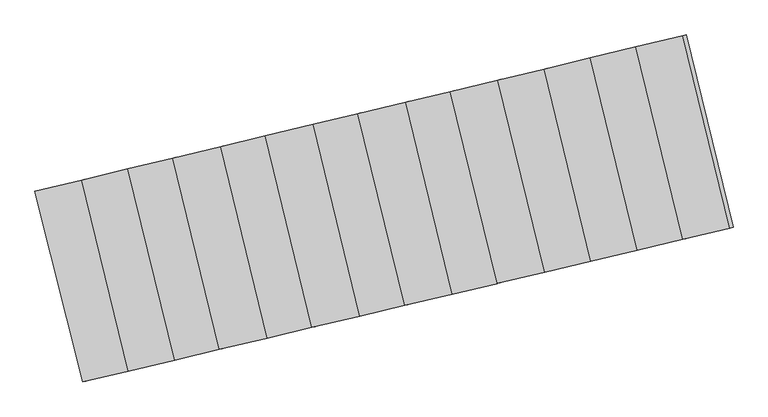
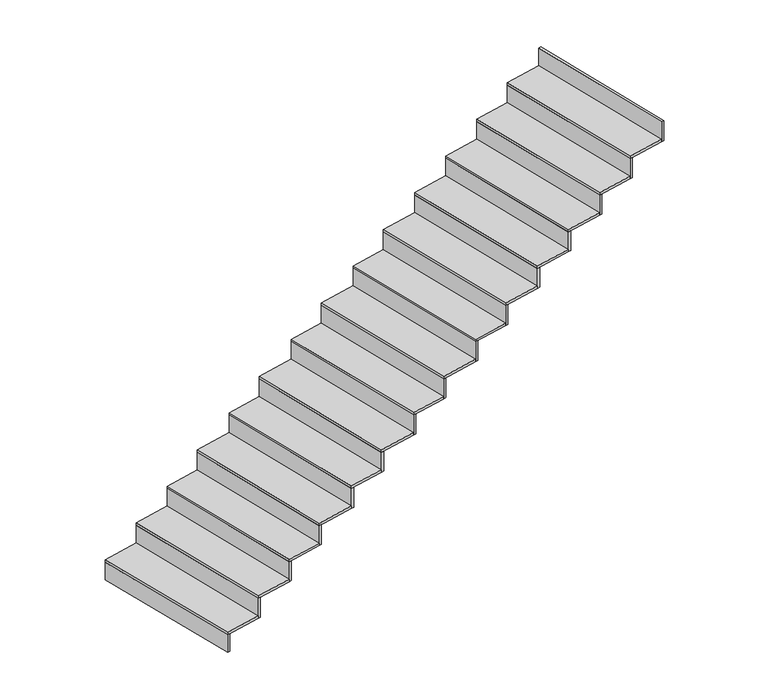
"""IFC4 building model written with IfcOpenShell, lengths in millimetres: stair flight geometry."""

from ifc_helpers import new_model, si_unit, frame, origin, place, context, project, spatial, polyline, outline, extrude, source, transform, mapped, element, save


def stair_flight_77acd8d4(model_context):
    return source(origin(), model_context, "Body", "SweptSolid", [
        extrude(outline(polyline([(69792.274858, 1143.0252565), (69772.8140838, 1138.4065241), (69482.7512479, 2300.0932348), (69502.1997731, 2304.761024), (69792.274858, 1143.0252565)])), frame((0.0, 0.0, -2436.5), z_axis=(0.0, 0.0, 1.0), x_axis=(1.0, 0.0, 0.0)), (0.0, 0.0, 1.0), 144.8530746),
        extrude(outline(polyline([(69767.5186183, 2368.4394985), (70051.4176831, 1204.5290459), (69772.8140838, 1138.4065241), (69482.7512479, 2300.0932348), (69767.5186183, 2368.4394985)])), frame((0.0, 0.0, -2291.6469254), z_axis=(0.0, 0.0, 1.0), x_axis=(1.0, 0.0, 0.0)), (0.0, 0.0, 1.0), 20.0),
        extrude(outline(polyline([(70070.8775103, 1209.1475535), (70051.4176831, 1204.5290459), (69767.5186183, 2368.4394985), (69786.9664646, 2373.1071247), (70070.8775103, 1209.1475535)])), frame((0.0, 0.0, -2291.6469254), z_axis=(0.0, 0.0, 1.0), x_axis=(1.0, 0.0, 0.0)), (0.0, 0.0, 1.0), 164.8530746),
        extrude(outline(polyline([(70049.5123898, 2436.120078), (70333.5851778, 1271.4974065), (70051.4176831, 1204.5290459), (69767.5186183, 2368.4394985), (70049.5123898, 2436.120078)])), frame((0.0, 0.0, -2126.7938508), z_axis=(0.0, 0.0, 1.0), x_axis=(1.0, 0.0, 0.0)), (0.0, 0.0, 1.0), 20.0),
        extrude(outline(polyline([(70353.045005, 1276.1159141), (70333.5851778, 1271.4974065), (70049.5123898, 2436.120078), (70068.9602361, 2440.7877042), (70353.045005, 1276.1159141)])), frame((0.0, 0.0, -2126.7938508), z_axis=(0.0, 0.0, 1.0), x_axis=(1.0, 0.0, 0.0)), (0.0, 0.0, 1.0), 164.8530746),
        extrude(outline(polyline([(70321.7822382, 2501.4668444), (70606.0227589, 1336.1565133), (70333.5851778, 1271.4974065), (70049.5123898, 2436.120078), (70321.7822382, 2501.4668444)])), frame((0.0, 0.0, -1961.9407762), z_axis=(0.0, 0.0, 1.0), x_axis=(1.0, 0.0, 0.0)), (0.0, 0.0, 1.0), 20.0),
        extrude(outline(polyline([(70625.4825861, 1340.775021), (70606.0227589, 1336.1565133), (70321.7822382, 2501.4668444), (70341.2300845, 2506.1344706), (70625.4825861, 1340.775021)])), frame((0.0, 0.0, -1961.9407762), z_axis=(0.0, 0.0, 1.0), x_axis=(1.0, 0.0, 0.0)), (0.0, 0.0, 1.0), 164.8530746),
        extrude(outline(polyline([(70613.4999328, 2571.481237), (70897.9201672, 1405.4341278), (70606.0227589, 1336.1565133), (70321.7822382, 2501.4668444), (70613.4999328, 2571.481237)])), frame((0.0, 0.0, -1797.0877016), z_axis=(0.0, 0.0, 1.0), x_axis=(1.0, 0.0, 0.0)), (0.0, 0.0, 1.0), 20.0),
        extrude(outline(polyline([(70917.3799944, 1410.0526354), (70897.9201672, 1405.4341278), (70613.4999328, 2571.481237), (70632.9477791, 2576.1488632), (70917.3799944, 1410.0526354)])), frame((0.0, 0.0, -1797.0877016), z_axis=(0.0, 0.0, 1.0), x_axis=(1.0, 0.0, 0.0)), (0.0, 0.0, 1.0), 164.8530746),
        extrude(outline(polyline([(70885.7697812, 2636.8280034), (71170.3577483, 1470.0932346), (70897.9201672, 1405.4341278), (70613.4999328, 2571.481237), (70885.7697812, 2636.8280034)])), frame((0.0, 0.0, -1632.234627), z_axis=(0.0, 0.0, 1.0), x_axis=(1.0, 0.0, 0.0)), (0.0, 0.0, 1.0), 20.0),
        extrude(outline(polyline([(71189.8175755, 1474.7117422), (71170.3577483, 1470.0932346), (70885.7697812, 2636.8280034), (70905.2176275, 2641.4956296), (71189.8175755, 1474.7117422)])), frame((0.0, 0.0, -1632.234627), z_axis=(0.0, 0.0, 1.0), x_axis=(1.0, 0.0, 0.0)), (0.0, 0.0, 1.0), 164.8530746),
        extrude(outline(polyline([(71177.4874758, 2706.842396), (71462.2551566, 1539.3708491), (71170.3577483, 1470.0932346), (70885.7697812, 2636.8280034), (71177.4874758, 2706.842396)])), frame((0.0, 0.0, -1467.3815524), z_axis=(0.0, 0.0, 1.0), x_axis=(1.0, 0.0, 0.0)), (0.0, 0.0, 1.0), 20.0),
        extrude(outline(polyline([(71481.7149839, 1543.9893567), (71462.2551566, 1539.3708491), (71177.4874758, 2706.842396), (71196.9353221, 2711.5100222), (71481.7149839, 1543.9893567)])), frame((0.0, 0.0, -1467.3815524), z_axis=(0.0, 0.0, 1.0), x_axis=(1.0, 0.0, 0.0)), (0.0, 0.0, 1.0), 164.8530746),
        extrude(outline(polyline([(71449.7573242, 2772.1891624), (71734.6927377, 1604.0299559), (71462.2551566, 1539.3708491), (71177.4874758, 2706.842396), (71449.7573242, 2772.1891624)])), frame((0.0, 0.0, -1302.5284778), z_axis=(0.0, 0.0, 1.0), x_axis=(1.0, 0.0, 0.0)), (0.0, 0.0, 1.0), 20.0),
        extrude(outline(polyline([(71754.152565, 1608.6484635), (71734.6927377, 1604.0299559), (71449.7573242, 2772.1891624), (71469.2051705, 2776.8567886), (71754.152565, 1608.6484635)])), frame((0.0, 0.0, -1302.5284778), z_axis=(0.0, 0.0, 1.0), x_axis=(1.0, 0.0, 0.0)), (0.0, 0.0, 1.0), 164.8530746),
        extrude(outline(polyline([(71741.4750188, 2842.203555), (72026.5901461, 1673.3075703), (71734.6927377, 1604.0299559), (71449.7573242, 2772.1891624), (71741.4750188, 2842.203555)])), frame((0.0, 0.0, -1137.6754032), z_axis=(0.0, 0.0, 1.0), x_axis=(1.0, 0.0, 0.0)), (0.0, 0.0, 1.0), 20.0),
        extrude(outline(polyline([(72046.0499733, 1677.926078), (72026.5901461, 1673.3075703), (71741.4750188, 2842.203555), (71760.9228651, 2846.8711812), (72046.0499733, 1677.926078)])), frame((0.0, 0.0, -1137.6754032), z_axis=(0.0, 0.0, 1.0), x_axis=(1.0, 0.0, 0.0)), (0.0, 0.0, 1.0), 164.8530746),
        extrude(outline(polyline([(72013.7448672, 2907.5503214), (72299.0277272, 1737.9666772), (72026.5901461, 1673.3075703), (71741.4750188, 2842.203555), (72013.7448672, 2907.5503214)])), frame((0.0, 0.0, -972.8223286), z_axis=(0.0, 0.0, 1.0), x_axis=(1.0, 0.0, 0.0)), (0.0, 0.0, 1.0), 20.0),
        extrude(outline(polyline([(72318.4875544, 1742.5851848), (72299.0277272, 1737.9666772), (72013.7448672, 2907.5503214), (72033.1927135, 2912.2179476), (72318.4875544, 1742.5851848)])), frame((0.0, 0.0, -972.8223286), z_axis=(0.0, 0.0, 1.0), x_axis=(1.0, 0.0, 0.0)), (0.0, 0.0, 1.0), 164.8530746),
        extrude(outline(polyline([(72302.6291562, 2976.8846758), (72588.0899844, 1806.5714096), (72299.0277272, 1737.9666772), (72013.7448672, 2907.5503214), (72302.6291562, 2976.8846758)])), frame((0.0, 0.0, -807.9692541), z_axis=(0.0, 0.0, 1.0), x_axis=(1.0, 0.0, 0.0)), (0.0, 0.0, 1.0), 20.0),
        extrude(outline(polyline([(72607.5498116, 1811.1899173), (72588.0899844, 1806.5714096), (72302.6291562, 2976.8846758), (72322.0770025, 2981.552302), (72607.5498116, 1811.1899173)])), frame((0.0, 0.0, -807.9692541), z_axis=(0.0, 0.0, 1.0), x_axis=(1.0, 0.0, 0.0)), (0.0, 0.0, 1.0), 164.8530746),
        extrude(outline(polyline([(72584.4283662, 3044.5185591), (72870.0627977, 1873.4935655), (72588.0899844, 1806.5714096), (72302.6291562, 2976.8846758), (72584.4283662, 3044.5185591)])), frame((0.0, 0.0, -643.1161795), z_axis=(0.0, 0.0, 1.0), x_axis=(1.0, 0.0, 0.0)), (0.0, 0.0, 1.0), 20.0),
        extrude(outline(polyline([(72889.5226249, 1878.1120731), (72870.0627977, 1873.4935655), (72584.4283662, 3044.5185591), (72603.8762125, 3049.1861853), (72889.5226249, 1878.1120731)])), frame((0.0, 0.0, -643.1161795), z_axis=(0.0, 0.0, 1.0), x_axis=(1.0, 0.0, 0.0)), (0.0, 0.0, 1.0), 164.8530746),
        extrude(outline(polyline([(72866.4221377, 3112.1991386), (73152.2302924, 1940.4619261), (72870.0627977, 1873.4935655), (72584.4283662, 3044.5185591), (72866.4221377, 3112.1991386)])), frame((0.0, 0.0, -478.2631049), z_axis=(0.0, 0.0, 1.0), x_axis=(1.0, 0.0, 0.0)), (0.0, 0.0, 1.0), 20.0),
        extrude(outline(polyline([(73171.6901196, 1945.0804337), (73152.2302924, 1940.4619261), (72866.4221377, 3112.1991386), (72885.869984, 3116.8667648), (73171.6901196, 1945.0804337)])), frame((0.0, 0.0, -478.2631049), z_axis=(0.0, 0.0, 1.0), x_axis=(1.0, 0.0, 0.0)), (0.0, 0.0, 1.0), 164.8530746),
        extrude(outline(polyline([(73143.8309161, 3178.779286), (73429.8099695, 2006.3414348), (73152.2302924, 1940.4619261), (72866.4221377, 3112.1991386), (73143.8309161, 3178.779286)])), frame((0.0, 0.0, -313.4100303), z_axis=(0.0, 0.0, 1.0), x_axis=(1.0, 0.0, 0.0)), (0.0, 0.0, 1.0), 20.0),
        extrude(outline(polyline([(73449.2697967, 2010.9599424), (73429.8099695, 2006.3414348), (73143.8309161, 3178.779286), (73163.2787625, 3183.4469122), (73449.2697967, 2010.9599424)])), frame((0.0, 0.0, -313.4100303), z_axis=(0.0, 0.0, 1.0), x_axis=(1.0, 0.0, 0.0)), (0.0, 0.0, 1.0), 164.8530746),
        extrude(outline(polyline([(73736.2000014, 2079.0586632), (73716.7401741, 2074.4401555), (73430.5844653, 3247.6022472), (73450.0323116, 3252.2698734), (73736.2000014, 2079.0586632)])), frame((0.0, 0.0, -148.5569557), z_axis=(0.0, 0.0, 1.0), x_axis=(1.0, 0.0, 0.0)), (0.0, 0.0, 1.0), 164.8530746),
        extrude(outline(polyline([(73430.5844653, 3247.6022472), (73716.7401741, 2074.4401555), (73429.8099695, 2006.3414348), (73143.8309161, 3178.779286), (73430.5844653, 3247.6022472)])), frame((0.0, 0.0, -148.5569557), z_axis=(0.0, 0.0, 1.0), x_axis=(1.0, 0.0, 0.0)), (0.0, 0.0, 1.0), 20.0),
    ])


if __name__ == "__main__":
    model = new_model("IFC4")
    model_context = context("Model", 3, world=origin())
    ifc_project = project(units=[si_unit("LENGTHUNIT", "METRE", prefix="MILLI")], contexts=[model_context])
    site = spatial("IfcSite", under=ifc_project)
    building = spatial("IfcBuilding", under=site)
    placement = place(None, origin())
    stair_flight_shape = stair_flight_77acd8d4(model_context)
    element("IfcStairFlight", 1, at=placement, inside=building, context=model_context, shape_type="MappedRepresentation", body=[
        mapped(stair_flight_shape, transform((0.0, 0.0, 0.0), x_axis=(1.0, 0.0, 0.0), y_axis=(0.0, 1.0, 0.0), z_axis=(0.0, 0.0, 1.0))),
    ])
    save(model, "model.ifc")
